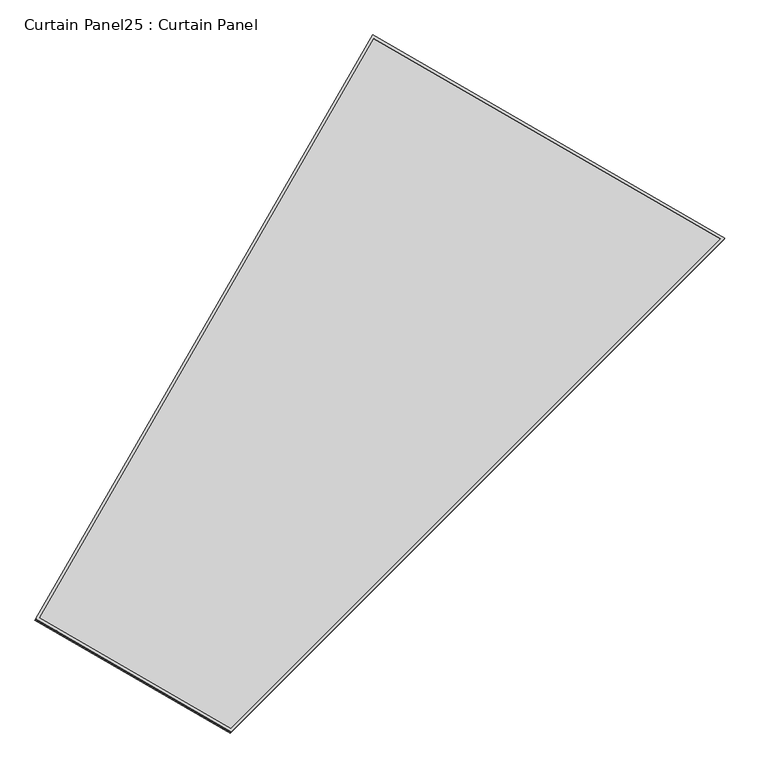
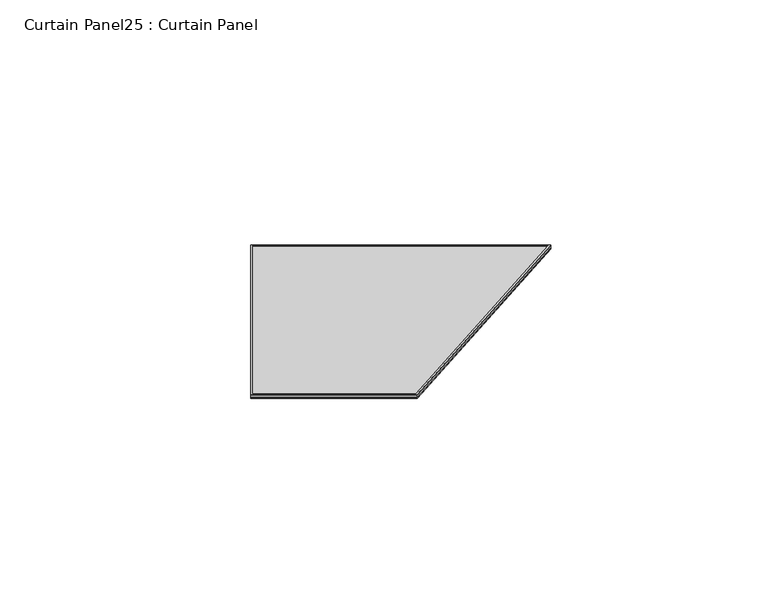
"""IFC4 building model written with IfcOpenShell, lengths in millimetres: plate geometry, Curtain Panel25 : Curtain Panel."""

from ifc_helpers import new_model, si_unit, frame, origin, place, context, project, spatial, polyline, outline, extrude, source, transform, mapped, element, save


def curtain_panel25_curtain_panel_925e0293(model_context):
    return source(origin(), model_context, "Body", "SweptSolid", [
        extrude(outline(polyline([(903.3982323, -2842.2889639), (0.0, -2842.288964), (0.0, 0.0), (1625.9258265, 0.0), (903.3982323, -2842.2889639)]), holes=[polyline([(1611.6350306, -11.1125), (11.1125, -11.1125), (11.1125, -2831.176464), (894.7571701, -2831.1764639), (1611.6350306, -11.1125)])]), frame((17732.3039941, 9022.9081123, -9.137066), z_axis=(0.15807291198690548, 0.27379031486167793, 0.948710608132914), x_axis=(0.8660254037844342, -0.5000000000000079, 0.0)), (0.0, 0.0, 1.0), 4.8214174),
        extrude(outline(polyline([(903.3982324, -2842.288964), (0.0, -2842.288964), (0.0, 0.0), (1625.9258266, 0.0), (903.3982324, -2842.288964)]), holes=[polyline([(1611.6350306, -11.1125), (11.1125, -11.1125), (11.1125, -2831.176464), (894.7571701, -2831.176464), (1611.6350306, -11.1125)])]), frame((17729.5144188, 9018.0764262, -25.8793379), z_axis=(0.15807291198690532, 0.273790314861678, 0.948710608132914), x_axis=(0.8660254037844344, -0.5000000000000074, 0.0)), (0.0, 0.0, 1.0), 4.4447907),
        extrude(outline(polyline([(12.7, 0.0), (1638.6258265, 1e-07), (916.0982323, -2842.2889639), (12.7, -2842.288964), (12.7, 0.0)])), frame((17719.2184972, 9025.6433668, -21.6625178), z_axis=(0.15807291198690573, 0.2737903148616775, 0.948710608132914), x_axis=(0.8660254037844333, -0.5000000000000093, 0.0)), (0.0, 0.0, 1.0), 13.2026054),
    ])


if __name__ == "__main__":
    model = new_model("IFC4")
    model_context = context("Model", 3, world=origin())
    ifc_project = project(units=[si_unit("LENGTHUNIT", "METRE", prefix="MILLI")], contexts=[model_context])
    site = spatial("IfcSite", under=ifc_project)
    building = spatial("IfcBuilding", under=site)
    placement = place(None, origin())
    curtain_panel25_curtain_panel_shape = curtain_panel25_curtain_panel_925e0293(model_context)
    element("IfcPlate", 1, ObjectType="Curtain Panel25 : Curtain Panel", at=placement, inside=building, context=model_context, shape_type="MappedRepresentation", body=[
        mapped(curtain_panel25_curtain_panel_shape, transform((0.0, 0.0, 0.0), x_axis=(1.0, 0.0, 0.0), y_axis=(0.0, 1.0, 0.0), z_axis=(0.0, 0.0, 1.0))),
    ])
    save(model, "model.ifc")
